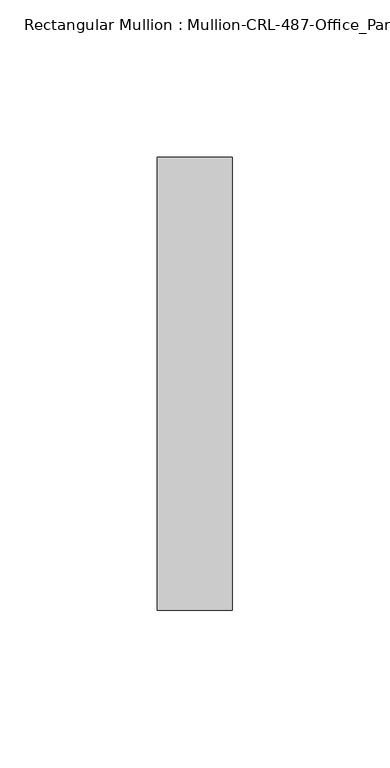
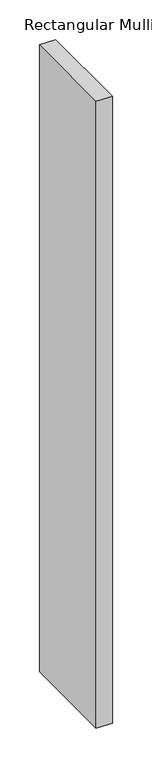
"""IFC4 building model written with IfcOpenShell, lengths in millimetres: member geometry, Rectangular Mullion : Mullion-CRL-487-Office_Partition-Cased."""

from ifc_helpers import new_model, si_unit, frame, origin, place, context, project, spatial, polyline, outline, extrude, source, transform, mapped, element, save


def rectangular_mullion_mullion_crl_487_office_partition_cased_9f4df0fc(model_context):
    return source(origin(), model_context, "Body", "SweptSolid", [
        extrude(outline(polyline([(-23.7998, -71.9452143), (-23.7998, 71.9452142), (0.0, 71.9452142), (0.0, -71.9452143), (-23.7998, -71.9452143)])), frame((0.0, 0.0, -968.4004), z_axis=(0.0, 0.0, 1.0), x_axis=(1.0, 0.0, 0.0)), (0.0, 0.0, 1.0), 968.4004),
    ])


if __name__ == "__main__":
    model = new_model("IFC4")
    model_context = context("Model", 3, world=origin())
    ifc_project = project(units=[si_unit("LENGTHUNIT", "METRE", prefix="MILLI")], contexts=[model_context])
    site = spatial("IfcSite", under=ifc_project)
    building = spatial("IfcBuilding", under=site)
    placement = place(None, origin())
    rectangular_mullion_mullion_crl_487_office_partition_cased_shape = rectangular_mullion_mullion_crl_487_office_partition_cased_9f4df0fc(model_context)
    element("IfcMember", 1, ObjectType="Rectangular Mullion : Mullion-CRL-487-Office_Partition-Cased", at=placement, inside=building, context=model_context, shape_type="MappedRepresentation", body=[
        mapped(rectangular_mullion_mullion_crl_487_office_partition_cased_shape, transform((0.0, 0.0, 0.0), x_axis=(1.0, 0.0, 0.0), y_axis=(0.0, 1.0, 0.0), z_axis=(0.0, 0.0, 1.0))),
    ])
    save(model, "model.ifc")
